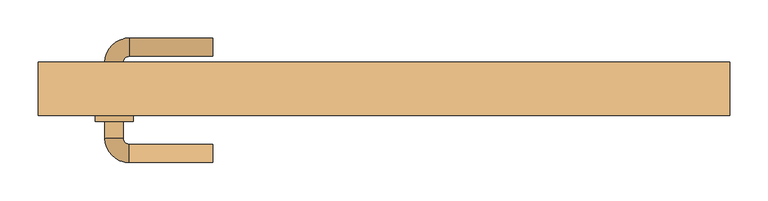
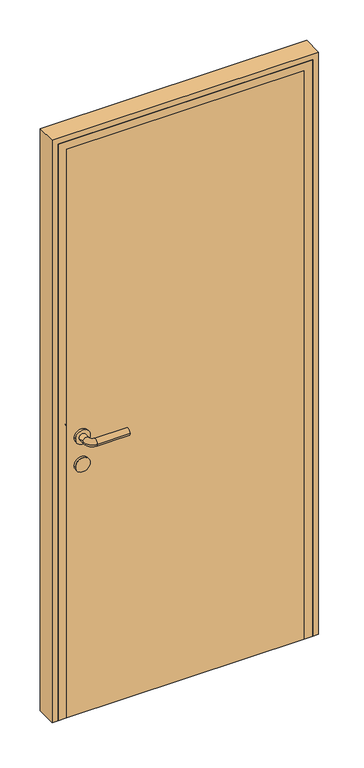
"""IFC4 building model written with IfcOpenShell, lengths in millimetres: door geometry."""

import ifcopenshell
import ifcopenshell.guid

model = None  # the IFC model being written
_history = None  # IfcOwnerHistory: only IFC2X3 demands one
_inside = {}  # id of a spatial element -> (the spatial element, [elements in it])
_under = {}  # id of a project, library or spatial element -> (it, [spatial elements below it])
_declared = {}  # id of a project -> (the project, [libraries it declares])
_typed = {}  # id of a type object -> (the type object, [elements of that type])
_made_of = {}  # id of a material, layer set ... -> (it, [elements and type objects made of it])


def new_model(schema):
    """Start an empty IFC model of exactly this schema.

    Asked for "IFC4X3", IfcOpenShell would pick the latest addendum, in which some entities
    have other attributes; the version numbers below select the first issue.
    IFC2X3 requires an IfcOwnerHistory on every rooted entity: one is made here for all.
    """
    global model, _history
    if schema == "IFC4X3":
        model = ifcopenshell.file(schema_version=(4, 3, 0, 0))
    else:
        model = ifcopenshell.file(schema=schema)
    _inside.clear()
    _under.clear()
    _declared.clear()
    _typed.clear()
    _made_of.clear()
    _history = None
    if model.schema == "IFC2X3":
        org = make("IfcOrganization", Name="unknown")
        user = make(
            "IfcPersonAndOrganization",
            ThePerson=make("IfcPerson", FamilyName="unknown"),
            TheOrganization=org,
        )
        app = make(
            "IfcApplication",
            ApplicationDeveloper=org,
            Version="unknown",
            ApplicationFullName="unknown",
            ApplicationIdentifier="unknown",
        )
        _history = make(
            "IfcOwnerHistory",
            OwningUser=user,
            OwningApplication=app,
            ChangeAction="ADDED",
            CreationDate=0,
        )
    return model


def make(cls, **values):
    """One entity of the class cls with the attributes given. An attribute that is None is left unset."""
    return model.create_entity(
        cls, **{name: value for name, value in values.items() if value is not None}
    )


def rooted(cls, **values):
    """An entity with a GlobalId (a new one), such as an element, a storey or a relation."""
    return make(cls, GlobalId=ifcopenshell.guid.new(), OwnerHistory=_history, **values)


def si_unit(unit_type, name, prefix=None):
    """IfcSIUnit, for example si_unit("LENGTHUNIT", "METRE", prefix="MILLI")."""
    return make("IfcSIUnit", UnitType=unit_type, Prefix=prefix, Name=name)


def assignment(units):
    """IfcUnitAssignment: the units of a project."""
    return None if units is None else make("IfcUnitAssignment", Units=units)


def point(xyz):
    """IfcCartesianPoint."""
    return None if xyz is None else make("IfcCartesianPoint", Coordinates=xyz)


def direction(xyz):
    """IfcDirection."""
    return None if xyz is None else make("IfcDirection", DirectionRatios=xyz)


def frame(location, z_axis=None, x_axis=None):
    """IfcAxis2Placement3D, a coordinate frame: its origin and axes. An axis left out is left unset."""
    return make(
        "IfcAxis2Placement3D",
        Location=point(location),
        Axis=direction(z_axis),
        RefDirection=direction(x_axis),
    )


def frame_2d(location, x_axis=None):
    """IfcAxis2Placement2D, a coordinate frame in the plane: its origin and x axis."""
    return make(
        "IfcAxis2Placement2D", Location=point(location), RefDirection=direction(x_axis)
    )


def origin():
    """The frame at (0, 0, 0) with its axes left unset."""
    return frame((0.0, 0.0, 0.0))


def origin_with_axes():
    """The frame at (0, 0, 0) with the z axis (0, 0, 1) and the x axis (1, 0, 0) written out."""
    return frame((0.0, 0.0, 0.0), z_axis=(0.0, 0.0, 1.0), x_axis=(1.0, 0.0, 0.0))


def place(relative_to, where):
    """IfcLocalPlacement: puts the frame where relative to a parent placement (None: the world)."""
    return make(
        "IfcLocalPlacement", PlacementRelTo=relative_to, RelativePlacement=where
    )


def context(
    kind, dimensions, precision=None, world=None, true_north=None, identifier=None
):
    """IfcGeometricRepresentationContext, for example the 3D "Model" context."""
    return make(
        "IfcGeometricRepresentationContext",
        ContextIdentifier=identifier,
        ContextType=kind,
        CoordinateSpaceDimension=dimensions,
        Precision=precision,
        WorldCoordinateSystem=world,
        TrueNorth=true_north,
    )


def project(units=None, contexts=None):
    """IfcProject with its units and contexts."""
    return rooted(
        "IfcProject",
        Name="project",
        RepresentationContexts=contexts,
        UnitsInContext=assignment(units),
    )


def spatial(cls, under=None, at=None, **own):
    """A site, building, storey or space (cls), placed at a placement, below another one or the project."""
    s = rooted(cls, ObjectPlacement=at, **own)
    if under is not None:
        _under.setdefault(under.id(), (under, []))[1].append(s)
    return s


def polyline(points):
    """IfcPolyline through the points."""
    return make("IfcPolyline", Points=[point(p) for p in points])


def circle_curve(where, radius):
    """IfcCircle in the frame where."""
    return make("IfcCircle", Position=where, Radius=radius)


def ellipse_curve(where, semi_axis1, semi_axis2):
    """IfcEllipse in the frame where."""
    return make(
        "IfcEllipse", Position=where, SemiAxis1=semi_axis1, SemiAxis2=semi_axis2
    )


def trimmed(basis, trim1, trim2, sense, master):
    """IfcTrimmedCurve: the piece of a basis curve between two trims."""
    return make(
        "IfcTrimmedCurve",
        BasisCurve=basis,
        Trim1=trim1,
        Trim2=trim2,
        SenseAgreement=sense,
        MasterRepresentation=master,
    )


def segment(curve, same_sense, transition):
    """IfcCompositeCurveSegment."""
    return make(
        "IfcCompositeCurveSegment",
        Transition=transition,
        SameSense=same_sense,
        ParentCurve=curve,
    )


def composite_curve(segments, self_intersect=None):
    """IfcCompositeCurve: segments joined end to end."""
    return make("IfcCompositeCurve", Segments=segments, SelfIntersect=self_intersect)


def outline(outer, holes=None, kind="AREA"):
    """IfcArbitraryClosedProfileDef: a profile drawn as a closed curve; with holes, ...WithVoids."""
    if holes is None:
        return make("IfcArbitraryClosedProfileDef", ProfileType=kind, OuterCurve=outer)
    return make(
        "IfcArbitraryProfileDefWithVoids",
        ProfileType=kind,
        OuterCurve=outer,
        InnerCurves=holes,
    )


def extrude(swept, where, along, depth):
    """IfcExtrudedAreaSolid: the profile swept, set in the frame where, extruded along a direction by depth."""
    return make(
        "IfcExtrudedAreaSolid",
        SweptArea=swept,
        Position=where,
        ExtrudedDirection=direction(along),
        Depth=depth,
    )


def faces_of(points, faces, orient=None, outer=None):
    """IfcFace entities. A face is a list of loops; a loop is a list of indices into points, from 0.

    orient and outer hold one flag for each loop. By default every Orientation is true, the
    first loop of a face is its IfcFaceOuterBound and the others are IfcFaceBound.
    """
    made = []
    for i, loops in enumerate(faces):
        bounds = []
        for j, loop in enumerate(loops):
            is_outer = j == 0 if outer is None else outer[i][j]
            bounds.append(
                make(
                    "IfcFaceOuterBound" if is_outer else "IfcFaceBound",
                    Bound=make("IfcPolyLoop", Polygon=[points[k] for k in loop]),
                    Orientation=True if orient is None else orient[i][j],
                )
            )
        made.append(make("IfcFace", Bounds=bounds))
    return made


def faceted_brep(points, faces, orient=None, outer=None, voids=None):
    """IfcFacetedBrep: a solid bounded by flat faces; with voids (closed shells), ...WithVoids."""
    shared = [point(p) for p in points]
    hull = make("IfcClosedShell", CfsFaces=faces_of(shared, faces, orient, outer))
    if voids is None:
        return make("IfcFacetedBrep", Outer=hull)
    return make(
        "IfcFacetedBrepWithVoids",
        Outer=hull,
        Voids=[
            make(cls, CfsFaces=faces_of(shared, fs, o, b)) for cls, fs, o, b in voids
        ],
    )


def shape(context_of_items, identifier, shape_type, items):
    """IfcShapeRepresentation: the items that make up one representation, for example the "Body"."""
    return make(
        "IfcShapeRepresentation",
        ContextOfItems=context_of_items,
        RepresentationIdentifier=identifier,
        RepresentationType=shape_type,
        Items=items,
    )


def source(mapping_origin, context_of_items, identifier, shape_type, items):
    """IfcRepresentationMap: a shape defined once, which mapped items show again and again."""
    return make(
        "IfcRepresentationMap",
        MappingOrigin=mapping_origin,
        MappedRepresentation=shape(context_of_items, identifier, shape_type, items),
    )


def transform(
    local_origin,
    x_axis=None,
    y_axis=None,
    z_axis=None,
    scale=None,
    scale2=None,
    scale3=None,
    uniform=True,
):
    """IfcCartesianTransformationOperator3D, or its non-uniform kind. x_axis, y_axis, z_axis: its Axis1, 2, 3."""
    if uniform:
        return make(
            "IfcCartesianTransformationOperator3D",
            Axis1=direction(x_axis),
            Axis2=direction(y_axis),
            LocalOrigin=point(local_origin),
            Scale=scale,
            Axis3=direction(z_axis),
        )
    return make(
        "IfcCartesianTransformationOperator3DnonUniform",
        Axis1=direction(x_axis),
        Axis2=direction(y_axis),
        LocalOrigin=point(local_origin),
        Scale=scale,
        Axis3=direction(z_axis),
        Scale2=scale2,
        Scale3=scale3,
    )


def mapped(mapping_source, mapping_target):
    """IfcMappedItem: shows the shape of a source again, moved by a transform."""
    return make(
        "IfcMappedItem", MappingSource=mapping_source, MappingTarget=mapping_target
    )


def made_of(thing, what):
    """Note that an element or type object is made of a material, layer set ...; save() writes the relation."""
    if what is not None:
        _made_of.setdefault(what.id(), (what, []))[1].append(thing)
    return thing


def element(
    cls,
    number,
    at=None,
    inside=None,
    cuts=None,
    type_object=None,
    material=None,
    context=None,
    identifier="Body",
    shape_type=None,
    held_by="IfcProductDefinitionShape",
    body=None,
    shapes=None,
    **own,
):
    """One element of the class cls, such as IfcWall. Its Tag is "e" and its number.

    at: its placement. inside: the storey or other place that contains it. cuts: it is an
    opening in that element (IfcRelVoidsElement). A single representation is given by context,
    identifier, shape_type and body (its items); several are given by shapes. held_by: the class
    of the entity that holds the representations. save() writes the other relations.
    """
    e = rooted(cls, Tag="e%d" % number, ObjectPlacement=at, **own)
    if body is not None:
        shapes = [shape(context, identifier, shape_type, body)]
    if shapes is not None:
        e.Representation = make(held_by, Representations=shapes)
    if inside is not None:
        _inside.setdefault(inside.id(), (inside, []))[1].append(e)
    if cuts is not None:
        rooted(
            "IfcRelVoidsElement", RelatingBuildingElement=cuts, RelatedOpeningElement=e
        )
    if type_object is not None:
        _typed.setdefault(type_object.id(), (type_object, []))[1].append(e)
    return made_of(e, material)


def aggregate(whole, parts):
    """IfcRelAggregates: a whole, such as a stair, and the parts it consists of."""
    return rooted("IfcRelAggregates", RelatingObject=whole, RelatedObjects=parts)


def save(model, path):
    """Write the relations noted so far, then the file.

    IfcRelAggregates (storeys below a building ...), IfcRelContainedInSpatialStructure (elements
    in a storey), IfcRelDefinesByType, IfcRelAssociatesMaterial and IfcRelDeclares: one each for
    every whole, place, type object, material and project.
    """
    for whole, parts in _under.values():
        aggregate(whole, parts)
    for where, things in _inside.values():
        rooted(
            "IfcRelContainedInSpatialStructure",
            RelatedElements=things,
            RelatingStructure=where,
        )
    for kind, things in _typed.values():
        rooted("IfcRelDefinesByType", RelatedObjects=things, RelatingType=kind)
    for what, things in _made_of.values():
        rooted("IfcRelAssociatesMaterial", RelatedObjects=things, RelatingMaterial=what)
    for by, libraries in _declared.values():
        rooted("IfcRelDeclares", RelatingContext=by, RelatedDefinitions=libraries)
    model.write(path)


def plane_surface(at):
    """IfcPlane: the flat surface through the origin of the frame at, square to its z axis."""
    return make("IfcPlane", Position=at)


def cylinder_surface(at, radius):
    """IfcCylindricalSurface: all points at the distance radius from the z axis of the frame at."""
    return make("IfcCylindricalSurface", Position=at, Radius=radius)


def revolved_surface(curve, axis_point, axis_direction):
    """IfcSurfaceOfRevolution: the curve turned about the line through axis_point along axis_direction."""
    return make(
        "IfcSurfaceOfRevolution",
        SweptCurve=make("IfcArbitraryOpenProfileDef", ProfileType="CURVE", Curve=curve),
        AxisPosition=make("IfcAxis1Placement", Location=point(axis_point), Axis=direction(axis_direction)),
    )


def advanced_brep(points, edges, surfaces, faces):
    """IfcAdvancedBrep: a solid bounded by faces that lie on surfaces and meet in shared edges.

    An edge is (start, end): straight between two places in points (the first is 0);
    or (start, end, curve); or (start, end, curve, False) where it runs against its curve.
    A face is (place in surfaces, loops), or (place, loops, False) where it looks against
    its surface's normal. A loop lists edges by number (the first is 1), with a minus sign
    where the edge is run from its end to its start. The first loop is the outer one.
    """
    corners = [point(p) for p in points]
    vertices = [make("IfcVertexPoint", VertexGeometry=c) for c in corners]
    made = []
    for start, end, *more in edges:
        made.append(
            make(
                "IfcEdgeCurve",
                EdgeStart=vertices[start],
                EdgeEnd=vertices[end],
                EdgeGeometry=more[0] if more else make("IfcPolyline", Points=[corners[start], corners[end]]),
                SameSense=more[1] if len(more) > 1 else True,
            )
        )
    hull = []
    for where, loops, *sense in faces:
        bounds = []
        for j, loop in enumerate(loops):
            ring = [make("IfcOrientedEdge", EdgeElement=made[abs(k) - 1], Orientation=k > 0) for k in loop]
            bounds.append(
                make(
                    "IfcFaceOuterBound" if j == 0 else "IfcFaceBound",
                    Bound=make("IfcEdgeLoop", EdgeList=ring),
                    Orientation=True,
                )
            )
        hull.append(make("IfcAdvancedFace", Bounds=bounds, FaceSurface=surfaces[where], SameSense=sense[0] if sense else True))
    return make("IfcAdvancedBrep", Outer=make("IfcClosedShell", CfsFaces=hull))


def door_d7d62de3(model_context):
    return source(origin(), model_context, "Body", "SolidModel", [
        advanced_brep(
        [(-225.0, -122.0, 1000.0), (-225.0, -98.0, 1000.0), (-335.0, -98.0, 1000.0), (-335.0, -122.0, 1000.0), (-343.0, -90.0, 1000.0), (-367.0, -90.0, 1000.0), (-367.0, 10.0, 1000.0), (-367.0, -12.0, 1000.0), (-343.0, -12.0, 1000.0), (-343.0, 10.0, 1000.0), (-343.0, -68.0, 1000.0), (-367.0, -68.0, 1000.0), (-335.0, 18.0, 1000.0), (-335.0, 42.0, 1000.0), (-225.0, 42.0, 1000.0), (-225.0, 18.0, 1000.0), (-330.0, -12.0, 1000.0), (-380.0, -12.0, 1000.0), (-330.0, -68.0, 1000.0), (-380.0, -68.0, 1000.0)],
        [
            (0, 1, circle_curve(frame((-225.0, -110.0, 1000.0), z_axis=(1.0, 0.0, 0.0), x_axis=(0.0, 1.0, 0.0)), 12.0)),
            (1, 0, circle_curve(frame((-225.0, -110.0, 1000.0), z_axis=(1.0, 0.0, 0.0), x_axis=(0.0, 1.0, 0.0)), 12.0)),
            (1, 2),
            (2, 3, circle_curve(frame((-335.0, -110.0, 1000.0), z_axis=(1.0, 0.0, 0.0), x_axis=(0.0, 1.0, 0.0)), 12.0)),
            (3, 0),
            (3, 2, circle_curve(frame((-335.0, -110.0, 1000.0), z_axis=(1.0, 0.0, 0.0), x_axis=(0.0, 1.0, 0.0)), 12.0)),
            (2, 4, circle_curve(frame((-335.0, -90.0, 1000.0), z_axis=(0.0, 0.0, -1.0), x_axis=(0.0, -1.0, 0.0)), 8.0)),
            (4, 5, circle_curve(frame((-355.0, -90.0, 1000.0), z_axis=(0.0, -1.0, 0.0), x_axis=(1.0, 0.0, 0.0)), 12.0)),
            (5, 3, circle_curve(frame((-335.0, -90.0, 1000.0), z_axis=(0.0, 0.0, 1.0), x_axis=(0.0, -1.0, 0.0)), 32.0)),
            (5, 4, circle_curve(frame((-355.0, -90.0, 1000.0), z_axis=(0.0, -1.0, 0.0), x_axis=(1.0, 0.0, 0.0)), 12.0)),
            (6, 7),
            (7, 8, circle_curve(frame((-355.0, -12.0, 1000.0), z_axis=(0.0, 1.0, 0.0), x_axis=(1.0, 0.0, 0.0)), 12.0)),
            (8, 9),
            (9, 6, circle_curve(frame((-355.0, 10.0, 1000.0), z_axis=(0.0, -1.0, 0.0), x_axis=(1.0, 0.0, 0.0)), 12.0)),
            (4, 10),
            (10, 11, circle_curve(frame((-355.0, -68.0, 1000.0), z_axis=(0.0, -1.0, 0.0), x_axis=(1.0, 0.0, 0.0)), 12.0)),
            (11, 5),
            (11, 10, circle_curve(frame((-355.0, -68.0, 1000.0), z_axis=(0.0, -1.0, 0.0), x_axis=(1.0, 0.0, 0.0)), 12.0)),
            (8, 7, circle_curve(frame((-355.0, -12.0, 1000.0), z_axis=(0.0, 1.0, 0.0), x_axis=(1.0, 0.0, 0.0)), 12.0)),
            (6, 9, circle_curve(frame((-355.0, 10.0, 1000.0), z_axis=(0.0, -1.0, 0.0), x_axis=(1.0, 0.0, 0.0)), 12.0)),
            (9, 12, circle_curve(frame((-335.0, 10.0, 1000.0), z_axis=(0.0, 0.0, -1.0), x_axis=(-1.0, 0.0, 0.0)), 8.0)),
            (12, 13, circle_curve(frame((-335.0, 30.0, 1000.0), z_axis=(-1.0, 0.0, 0.0), x_axis=(0.0, -1.0, 0.0)), 12.0)),
            (13, 6, circle_curve(frame((-335.0, 10.0, 1000.0), z_axis=(0.0, 0.0, 1.0), x_axis=(-1.0, 0.0, 0.0)), 32.0)),
            (13, 12, circle_curve(frame((-335.0, 30.0, 1000.0), z_axis=(-1.0, 0.0, 0.0), x_axis=(0.0, -1.0, 0.0)), 12.0)),
            (14, 15, circle_curve(frame((-225.0, 30.0, 1000.0), z_axis=(1.0, 0.0, 0.0), x_axis=(0.0, -1.0, 0.0)), 12.0)),
            (15, 14, circle_curve(frame((-225.0, 30.0, 1000.0), z_axis=(1.0, 0.0, 0.0), x_axis=(0.0, -1.0, 0.0)), 12.0)),
            (12, 15),
            (14, 13),
            (16, 17, circle_curve(frame((-355.0, -12.0, 1000.0), z_axis=(0.0, 1.0, 0.0), x_axis=(-1.0, 0.0, 0.0)), 25.0)),
            (17, 16, circle_curve(frame((-355.0, -12.0, 1000.0), z_axis=(0.0, 1.0, 0.0), x_axis=(-1.0, 0.0, 0.0)), 25.0)),
            (18, 19, circle_curve(frame((-355.0, -68.0, 1000.0), z_axis=(0.0, -1.0, 0.0), x_axis=(-1.0, 0.0, 0.0)), 25.0)),
            (19, 18, circle_curve(frame((-355.0, -68.0, 1000.0), z_axis=(0.0, -1.0, 0.0), x_axis=(-1.0, 0.0, 0.0)), 25.0)),
            (17, 19),
            (18, 16),
        ],
        [
            plane_surface(frame((-225.0, -110.0, 1000.0), z_axis=(1.0, 0.0, 0.0), x_axis=(0.0, 0.0, 1.0))),
            cylinder_surface(frame((-225.0, -110.0, 1000.0), z_axis=(1.0, 0.0, 0.0), x_axis=(0.0, 1.0, 0.0)), 12.0),
            revolved_surface(trimmed(ellipse_curve(frame((-335.0, -110.0, 1000.0), z_axis=(-1.0, 0.0, 0.0), x_axis=(0.0, 1.0, 0.0)), 12.0, 12.0), [point((-335.0, -122.0, 1000.0))], [point((-335.0, -98.0, 1000.0))], True, "CARTESIAN"), (-335.0, -90.0, 1000.0), (0.0, 0.0, 1.0)),
            revolved_surface(trimmed(ellipse_curve(frame((-335.0, -110.0, 1000.0), z_axis=(-1.0, 0.0, 0.0), x_axis=(0.0, 1.0, 0.0)), 12.0, 12.0), [point((-335.0, -98.0, 1000.0))], [point((-335.0, -122.0, 1000.0))], True, "CARTESIAN"), (-335.0, -90.0, 1000.0), (0.0, 0.0, 1.0)),
            cylinder_surface(frame((-355.0, -90.0, 1000.0), z_axis=(0.0, -1.0, 0.0), x_axis=(1.0, 0.0, 0.0)), 12.0),
            revolved_surface(trimmed(ellipse_curve(frame((-355.0, 10.0, 1000.0), z_axis=(0.0, 1.0, 0.0), x_axis=(1.0, 0.0, 0.0)), 12.0, 12.0), [point((-367.0, 10.0, 1000.0))], [point((-343.0, 10.0, 1000.0))], True, "CARTESIAN"), (-335.0, 10.0, 1000.0), (0.0, 0.0, 1.0)),
            revolved_surface(trimmed(ellipse_curve(frame((-355.0, 10.0, 1000.0), z_axis=(0.0, 1.0, 0.0), x_axis=(1.0, 0.0, 0.0)), 12.0, 12.0), [point((-343.0, 10.0, 1000.0))], [point((-367.0, 10.0, 1000.0))], True, "CARTESIAN"), (-335.0, 10.0, 1000.0), (0.0, 0.0, 1.0)),
            plane_surface(frame((-225.0, 30.0, 1000.0), z_axis=(1.0, 0.0, 0.0), x_axis=(0.0, 0.0, 1.0))),
            cylinder_surface(frame((-335.0, 30.0, 1000.0), z_axis=(-1.0, 0.0, 0.0), x_axis=(0.0, -1.0, 0.0)), 12.0),
            plane_surface(frame((-380.0, -12.0, 1000.0), z_axis=(0.0, 1.0, 0.0), x_axis=(0.0, 0.0, -1.0))),
            plane_surface(frame((-380.0, -68.0, 1000.0), z_axis=(0.0, -1.0, 0.0), x_axis=(0.0, 0.0, 1.0))),
            cylinder_surface(frame((-355.0, -12.0, 1000.0), z_axis=(0.0, -1.0, 0.0), x_axis=(-1.0, 0.0, 0.0)), 25.0),
        ],
        [
            (0, [[1, 2]]),
            (1, [[3, 4, 5, -2]]),
            (1, [[-5, 6, -3, -1]]),
            (2, [[7, 8, 9, -4]]),
            (3, [[-9, 10, -7, -6]]),
            (4, [[11, 12, 13, 14]]),
            (4, [[15, 16, 17, -8]]),
            (4, [[-17, 18, -15, -10]]),
            (4, [[-13, 19, -11, 20]]),
            (5, [[21, 22, 23, -14]]),
            (6, [[-23, 24, -21, -20]]),
            (7, [[25, 26]]),
            (8, [[27, -25, 28, -22]]),
            (8, [[-28, -26, -27, -24]]),
            (9, [[29, 30], [-19, -12]]),
            (10, [[31, 32], [-18, -16]]),
            (11, [[33, -31, 34, -30]]),
            (11, [[-34, -32, -33, -29]]),
        ],
    ),
        extrude(outline(composite_curve([segment(trimmed(circle_curve(frame_2d((900.0, -355.0)), 25.0), [point((900.0, -330.0))], [point((900.0, -380.0))], False, "CARTESIAN"), True, "CONTINUOUS"), segment(trimmed(circle_curve(frame_2d((900.0, -355.0)), 25.0), [point((900.0, -380.0))], [point((900.0, -330.0))], False, "CARTESIAN"), True, "CONTINUOUS")], self_intersect=False)), frame((0.0, -68.0, 0.0), z_axis=(0.0, 1.0, 0.0), x_axis=(0.0, 0.0, 1.0)), (0.0, 0.0, 1.0), 56.0),
        extrude(outline(polyline([(405.0, -20.0), (405.0, -60.0), (-405.0, -60.0), (-405.0, -20.0), (405.0, -20.0)])), origin_with_axes(), (0.0, 0.0, 1.0), 2050.0),
        extrude(outline(polyline([(0.0, 455.0), (2100.0, 455.0), (2100.0, -455.0), (0.0, -455.0), (0.0, -435.0), (2080.0, -435.0), (2080.0, 435.0), (0.0, 435.0), (0.0, 455.0)])), frame((0.0, -60.0, 0.0), z_axis=(0.0, 1.0, 0.0), x_axis=(0.0, 0.0, 1.0)), (0.0, 0.0, 1.0), 70.0),
        faceted_brep([(-435.0, 10.0, 0.0), (-395.0, 10.0, 0.0), (-395.0, -20.0, 0.0), (-405.0, -20.0, 0.0), (-405.0, -60.0, 0.0), (-435.0, -60.0, 0.0), (-435.0, -60.0, 2080.0), (-435.0, 10.0, 2080.0), (-405.0, -60.0, 2050.0), (405.0, -60.0, 2050.0), (405.0, -60.0, 0.0), (435.0, -60.0, 0.0), (435.0, -60.0, 2080.0), (-405.0, -20.0, 2050.0), (-395.0, -20.0, 2040.0), (395.0, -20.0, 2040.0), (395.0, -20.0, 0.0), (405.0, -20.0, 0.0), (405.0, -20.0, 2050.0), (-395.0, 10.0, 2040.0), (435.0, 10.0, 2080.0), (435.0, 10.0, 0.0), (395.0, 10.0, 0.0), (395.0, 10.0, 2040.0)], [[[0, 1, 2, 3, 4, 5]], [[5, 6, 7, 0]], [[4, 8, 9, 10, 11, 12, 6, 5]], [[3, 13, 8, 4]], [[2, 14, 15, 16, 17, 18, 13, 3]], [[1, 19, 14, 2]], [[0, 7, 20, 21, 22, 23, 19, 1]], [[6, 12, 20, 7]], [[13, 18, 9, 8]], [[19, 23, 15, 14]], [[21, 11, 10, 17, 16, 22]], [[12, 11, 21, 20]], [[18, 17, 10, 9]], [[23, 22, 16, 15]]]),
    ])


if __name__ == "__main__":
    model = new_model("IFC4")
    model_context = context("Model", 3, world=origin())
    ifc_project = project(units=[si_unit("LENGTHUNIT", "METRE", prefix="MILLI")], contexts=[model_context])
    site = spatial("IfcSite", under=ifc_project)
    building = spatial("IfcBuilding", under=site)
    placement = place(None, origin())
    door_shape = door_d7d62de3(model_context)
    element("IfcDoor", 1, at=placement, inside=building, context=model_context, shape_type="MappedRepresentation", body=[
        mapped(door_shape, transform((0.0, 0.0, 0.0), x_axis=(1.0, 0.0, 0.0), y_axis=(0.0, 1.0, 0.0), z_axis=(0.0, 0.0, 1.0))),
    ])
    save(model, "model.ifc")
